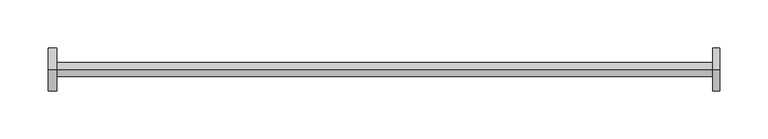
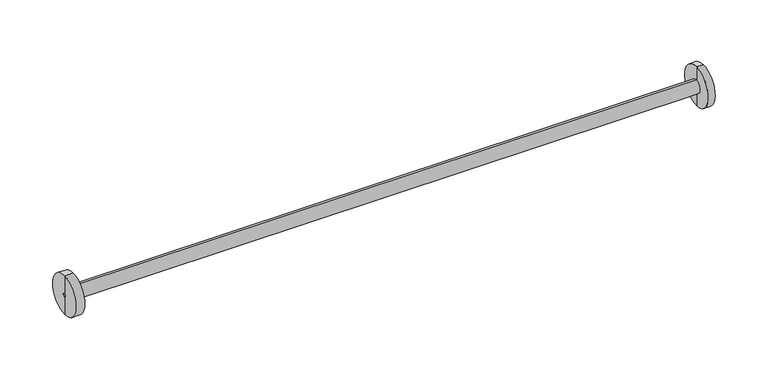
"""IFC4 building model written with IfcOpenShell, lengths in millimetres: proxy geometry."""

from ifc_helpers import new_model, si_unit, frame, origin, place, context, project, spatial, polyline, circle_curve, source, transform, mapped, element, save
from ifc_brep_helpers import plane_surface, cylinder_surface, revolved_surface, advanced_brep


def generic_models_a63f5be1(model_context):
    return source(origin(), model_context, "Body", "AdvancedBrep", [
        advanced_brep(
        [(347.3502052, 2887.6565316, 111.3882588), (347.3502052, 2887.6565316, 155.9842478), (347.3502052, 2887.6565316, 135.9842478), (347.3502052, 2887.6565316, 131.3882588), (340.0, 2887.6565316, 111.3882588), (340.0, 2887.6565316, 155.9842478), (340.0, 2887.6565316, 126.3882588), (340.0, 2887.6565316, 140.9842478), (-340.0, 2887.6565316, 126.3882588), (-340.0, 2887.6565316, 140.9842478), (-340.0, 2887.6565316, 111.3882588), (-340.0, 2887.6565316, 155.9842478), (-349.0648882, 2887.6565316, 111.3882588), (-349.0648882, 2887.6565316, 155.9842478), (-349.0648882, 2887.6565316, 131.3882588), (-349.0648882, 2887.6565316, 135.9842478)],
        [
            (0, 1, circle_curve(frame((347.3502052, 2887.6565316, 133.6862533), z_axis=(1.0, 0.0, 0.0), x_axis=(0.0, 0.0, 1.0)), 22.2979945)),
            (1, 2),
            (2, 3, circle_curve(frame((347.3502052, 2887.6565316, 133.6862533), z_axis=(-1.0, 0.0, 0.0), x_axis=(0.0, 0.0, 1.0)), 2.2979945)),
            (3, 0),
            (1, 0, circle_curve(frame((347.3502052, 2887.6565316, 133.6862533), z_axis=(1.0, 0.0, 0.0), x_axis=(0.0, 0.0, 1.0)), 22.2979945)),
            (3, 2, circle_curve(frame((347.3502052, 2887.6565316, 133.6862533), z_axis=(-1.0, 0.0, 0.0), x_axis=(0.0, 0.0, 1.0)), 2.2979945)),
            (4, 5, circle_curve(frame((340.0, 2887.6565316, 133.6862533), z_axis=(1.0, 0.0, 0.0), x_axis=(0.0, 0.0, 1.0)), 22.2979945)),
            (5, 1),
            (0, 4),
            (5, 4, circle_curve(frame((340.0, 2887.6565316, 133.6862533), z_axis=(1.0, 0.0, 0.0), x_axis=(0.0, 0.0, 1.0)), 22.2979945)),
            (6, 7, circle_curve(frame((340.0, 2887.6565316, 133.6862533), z_axis=(1.0, 0.0, 0.0), x_axis=(0.0, 0.0, 1.0)), 7.2979945)),
            (7, 5),
            (4, 6),
            (7, 6, circle_curve(frame((340.0, 2887.6565316, 133.6862533), z_axis=(1.0, 0.0, 0.0), x_axis=(0.0, 0.0, 1.0)), 7.2979945)),
            (8, 9, circle_curve(frame((-340.0, 2887.6565316, 133.6862533), z_axis=(1.0, 0.0, 0.0), x_axis=(0.0, 0.0, 1.0)), 7.2979945)),
            (9, 7),
            (6, 8),
            (9, 8, circle_curve(frame((-340.0, 2887.6565316, 133.6862533), z_axis=(1.0, 0.0, 0.0), x_axis=(0.0, 0.0, 1.0)), 7.2979945)),
            (10, 11, circle_curve(frame((-340.0, 2887.6565316, 133.6862533), z_axis=(1.0, 0.0, 0.0), x_axis=(0.0, 0.0, 1.0)), 22.2979945)),
            (11, 9),
            (8, 10),
            (11, 10, circle_curve(frame((-340.0, 2887.6565316, 133.6862533), z_axis=(1.0, 0.0, 0.0), x_axis=(0.0, 0.0, 1.0)), 22.2979945)),
            (12, 13, circle_curve(frame((-349.0648882, 2887.6565316, 133.6862533), z_axis=(1.0, 0.0, 0.0), x_axis=(0.0, 0.0, 1.0)), 22.2979945)),
            (13, 11),
            (10, 12),
            (13, 12, circle_curve(frame((-349.0648882, 2887.6565316, 133.6862533), z_axis=(1.0, 0.0, 0.0), x_axis=(0.0, 0.0, 1.0)), 22.2979945)),
            (14, 15, circle_curve(frame((-349.0648882, 2887.6565316, 133.6862533), z_axis=(1.0, 0.0, 0.0), x_axis=(0.0, 0.0, 1.0)), 2.2979945)),
            (15, 13),
            (12, 14),
            (15, 14, circle_curve(frame((-349.0648882, 2887.6565316, 133.6862533), z_axis=(1.0, 0.0, 0.0), x_axis=(0.0, 0.0, 1.0)), 2.2979945)),
            (2, 15),
            (14, 3),
        ],
        [
            plane_surface(frame((347.3502052, 2887.6565316, 133.6862533), z_axis=(1.0, 0.0, 0.0), x_axis=(0.0, 0.0, 1.0))),
            cylinder_surface(frame((-28.6747099, 2887.6565316, 133.6862533), z_axis=(-1.0, 0.0, 0.0), x_axis=(0.0, 0.0, 1.0)), 22.2979945),
            plane_surface(frame((340.0, 2887.6565316, 133.6862533), z_axis=(-1.0, 0.0, 0.0), x_axis=(0.0, 0.0, 1.0))),
            cylinder_surface(frame((-28.6747099, 2887.6565316, 133.6862533), z_axis=(-1.0, 0.0, 0.0), x_axis=(0.0, 0.0, 1.0)), 7.2979945),
            plane_surface(frame((-340.0, 2887.6565316, 133.6862533), z_axis=(1.0, 0.0, 0.0), x_axis=(0.0, 0.0, 1.0))),
            plane_surface(frame((-349.0648882, 2887.6565316, 133.6862533), z_axis=(-1.0, 0.0, 0.0), x_axis=(0.0, 0.0, 1.0))),
            revolved_surface(polyline([(-349.0648882, 2887.6565316, 135.9842478), (347.3502052, 2887.6565316, 135.9842478)]), (-28.6747099, 2887.6565316, 133.6862533), (-1.0, 0.0, 0.0)),
        ],
        [
            (0, [[1, 2, 3, 4]]),
            (0, [[5, -4, 6, -2]]),
            (1, [[7, 8, -1, 9]]),
            (1, [[10, -9, -5, -8]]),
            (2, [[11, 12, -7, 13]]),
            (2, [[14, -13, -10, -12]]),
            (3, [[15, 16, -11, 17]]),
            (3, [[18, -17, -14, -16]]),
            (4, [[19, 20, -15, 21]]),
            (4, [[22, -21, -18, -20]]),
            (1, [[23, 24, -19, 25]]),
            (1, [[26, -25, -22, -24]]),
            (5, [[27, 28, -23, 29]]),
            (5, [[30, -29, -26, -28]]),
            (6, [[-3, 31, -27, 32]]),
            (6, [[-6, -32, -30, -31]]),
        ],
    ),
    ])


if __name__ == "__main__":
    model = new_model("IFC4")
    model_context = context("Model", 3, world=origin())
    ifc_project = project(units=[si_unit("LENGTHUNIT", "METRE", prefix="MILLI")], contexts=[model_context])
    site = spatial("IfcSite", under=ifc_project)
    building = spatial("IfcBuilding", under=site)
    placement = place(None, origin())
    generic_models_shape = generic_models_a63f5be1(model_context)
    element("IfcBuildingElementProxy", 1, Name="Generic Models", at=placement, inside=building, context=model_context, shape_type="MappedRepresentation", body=[
        mapped(generic_models_shape, transform((0.0, 0.0, 0.0), x_axis=(1.0, 0.0, 0.0), y_axis=(0.0, 1.0, 0.0), z_axis=(0.0, 0.0, 1.0))),
    ])
    save(model, "model.ifc")
